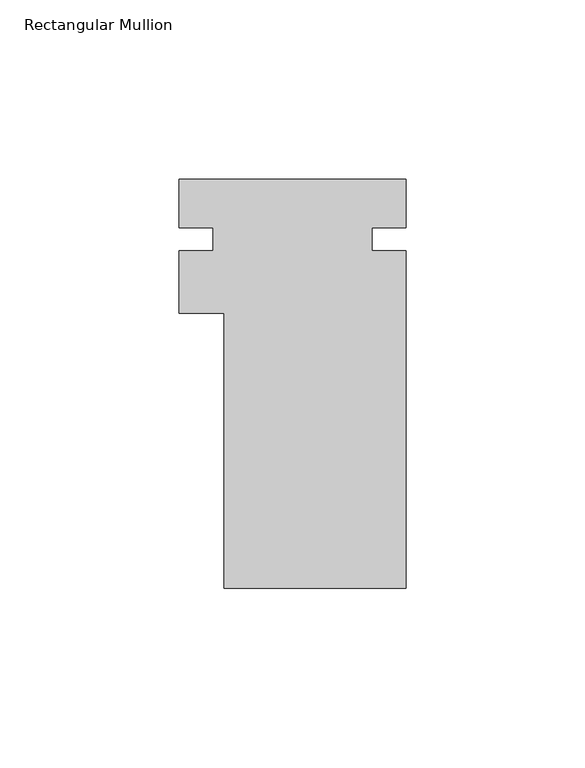
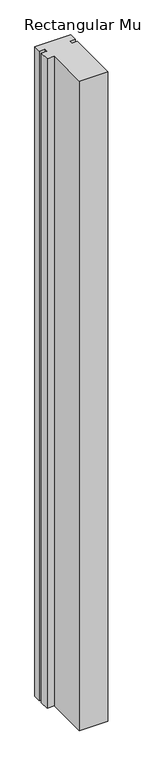
"""IFC4 building model written with IfcOpenShell, lengths in millimetres: member geometry, Rectangular Mullion."""

from ifc_helpers import new_model, si_unit, frame, origin, place, context, project, spatial, polyline, outline, extrude, source, transform, mapped, element, save


def rectangular_mullion_6f9c85cb(model_context):
    return source(origin(), model_context, "Body", "SweptSolid", [
        extrude(outline(polyline([(25.4, -39.8724438), (-25.4, -39.8724437), (-25.4, 36.9625562), (-38.0999959, 36.9625563), (-38.0999959, 54.4250563), (-28.5749959, 54.4250563), (-28.5749959, 60.7750563), (-38.0999959, 60.7750563), (-38.0999959, 74.4275562), (25.4, 74.4275562), (25.4, 60.7750562), (15.875, 60.7750562), (15.875, 54.4250562), (25.4, 54.4250562), (25.4, -39.8724438)])), frame((0.0, 0.0, -1219.2), z_axis=(0.0, 0.0, 1.0), x_axis=(1.0, 0.0, 0.0)), (0.0, 0.0, 1.0), 1219.2),
    ])


if __name__ == "__main__":
    model = new_model("IFC4")
    model_context = context("Model", 3, world=origin())
    ifc_project = project(units=[si_unit("LENGTHUNIT", "METRE", prefix="MILLI")], contexts=[model_context])
    site = spatial("IfcSite", under=ifc_project)
    building = spatial("IfcBuilding", under=site)
    placement = place(None, origin())
    rectangular_mullion_shape = rectangular_mullion_6f9c85cb(model_context)
    element("IfcMember", 1, ObjectType="Rectangular Mullion", at=placement, inside=building, context=model_context, shape_type="MappedRepresentation", body=[
        mapped(rectangular_mullion_shape, transform((0.0, 0.0, 0.0), x_axis=(1.0, 0.0, 0.0), y_axis=(0.0, 1.0, 0.0), z_axis=(0.0, 0.0, 1.0))),
    ])
    save(model, "model.ifc")
